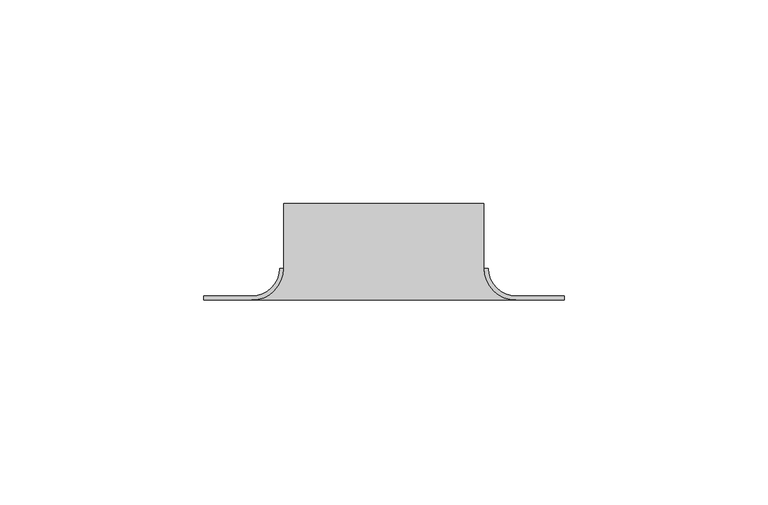
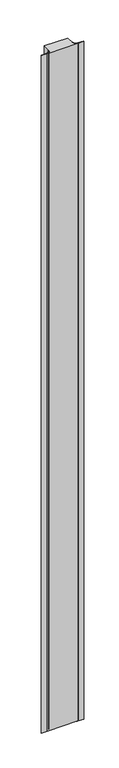
"""IFC4 building model written with IfcOpenShell, lengths in millimetres: proxy geometry."""

from ifc_helpers import new_model, si_unit, point, frame, frame_2d, origin, origin_with_axes, place, context, project, spatial, polyline, circle_curve, trimmed, segment, composite_curve, outline, extrude, source, transform, mapped, element, save
from ifc_brep_helpers import plane_surface, revolved_surface, advanced_brep


def generic_models_583636e3(model_context):
    return source(origin(), model_context, "Body", "SolidModel", [
        advanced_brep(
        [(3956.8732178, -12211.7946898, 1500.0), (3907.8089871, -12211.7946898, 1500.0), (3907.8089871, -12227.6290675, 1500.0), (3899.9848136, -12235.453241, 1500.0), (3964.6973913, -12235.4544522, 1500.0), (3956.8732178, -12227.6290675, 1500.0), (3956.8732178, -12211.7946898, 0.0), (3956.8732178, -12227.6290675, 0.0), (3964.6973913, -12235.453241, 0.0), (3899.9848136, -12235.4544522, 0.0), (3907.8089871, -12227.6290675, 0.0), (3907.8089871, -12211.7946898, 0.0)],
        [
            (0, 1),
            (1, 2),
            (2, 3, circle_curve(frame((3899.9848136, -12227.6290675, 1500.0), z_axis=(0.0, 0.0, -1.0), x_axis=(0.0, -1.0, 0.0)), 7.8241735)),
            (3, 4),
            (4, 5, circle_curve(frame((3964.6973913, -12227.6290675, 1500.0), z_axis=(0.0, 0.0, -1.0), x_axis=(0.0, -1.0, 0.0)), 7.8241735)),
            (5, 0),
            (6, 7),
            (7, 8, circle_curve(frame((3964.6973913, -12227.6290675, 0.0), z_axis=(0.0, 0.0, 1.0), x_axis=(0.0, -1.0, 0.0)), 7.8241735)),
            (8, 9),
            (9, 10, circle_curve(frame((3899.9848136, -12227.6290675, 0.0), z_axis=(0.0, 0.0, 1.0), x_axis=(0.0, -1.0, 0.0)), 7.8241735)),
            (10, 11),
            (11, 6),
            (0, 6),
            (11, 1),
            (3, 9),
            (8, 4),
            (5, 7),
            (10, 2),
        ],
        [
            plane_surface(frame((2304.7369605, -12185.4544522, 1500.0), z_axis=(0.0, 0.0, 1.0), x_axis=(1.0, 0.0, 0.0))),
            plane_surface(frame((2304.7369605, -12185.4544522, 0.0), z_axis=(0.0, 0.0, -1.0), x_axis=(1.0, 0.0, 0.0))),
            plane_surface(frame((3956.8732178, -12211.7946898, 1500.0), z_axis=(0.0, 1.0, 0.0), x_axis=(0.0, 0.0, -1.0))),
            plane_surface(frame((3899.9848136, -12235.4544522, 1500.0), z_axis=(0.0, -1.0, 0.0), x_axis=(0.0, 0.0, -1.0))),
            plane_surface(frame((3956.8732178, -12227.6290675, 1500.0), z_axis=(1.0, 0.0, 0.0), x_axis=(0.0, 0.0, -1.0))),
            plane_surface(frame((3907.8089871, -12211.7946898, 1500.0), z_axis=(-1.0, 0.0, 0.0), x_axis=(0.0, 0.0, -1.0))),
            revolved_surface(polyline([(3899.9848136, -12235.453241, 0.0), (3899.9848136, -12235.453241, 1500.0)]), (3899.9848136, -12227.6290675, 1500.0), (0.0, 0.0, -1.0)),
            revolved_surface(polyline([(3964.6973913, -12235.453241, 0.0), (3964.6973913, -12235.453241, 1500.0)]), (3964.6973913, -12227.6290675, 1500.0), (0.0, 0.0, -1.0)),
        ],
        [
            (0, [[1, 2, 3, 4, 5, 6]]),
            (1, [[7, 8, 9, 10, 11, 12]]),
            (2, [[-1, 13, -12, 14]]),
            (3, [[-4, 15, -9, 16]]),
            (4, [[-6, 17, -7, -13]]),
            (5, [[-2, -14, -11, 18]]),
            (6, [[-3, -18, -10, -15]]),
            (7, [[-5, -16, -8, -17]]),
        ],
    ),
        extrude(outline(composite_curve([segment(trimmed(circle_curve(frame_2d((3964.8072989, -12227.6290675)), 7.8253847), [point((3964.8072989, -12235.4544522))], [point((3956.9819142, -12227.6290675))], False, "CARTESIAN"), True, "CONTINUOUS"), segment(polyline([(3956.9819142, -12227.6290675), (3957.9819142, -12227.6290675)]), True, "CONTINUOUS"), segment(trimmed(circle_curve(frame_2d((3964.8072989, -12227.6290675)), 6.8253847), [point((3957.9819142, -12227.6290675))], [point((3964.8072989, -12234.4544522))], True, "CARTESIAN"), True, "CONTINUOUS"), segment(polyline([(3964.8072989, -12234.4544522), (3976.5356145, -12234.4544522), (3976.5356145, -12235.4544522), (3964.8072989, -12235.4544522)]), True, "CONTINUOUS")], self_intersect=False)), origin_with_axes(), (0.0, 0.0, 1.0), 1500.0),
        extrude(outline(composite_curve([segment(polyline([(3899.9836024, -12235.4544522), (3888.2552869, -12235.4544522), (3888.2552869, -12234.4544522), (3899.9836024, -12234.4544522)]), True, "CONTINUOUS"), segment(trimmed(circle_curve(frame_2d((3899.9836024, -12227.6290675)), 6.8253847), [point((3899.9836024, -12234.4544522))], [point((3906.8089871, -12227.6290675))], True, "CARTESIAN"), True, "CONTINUOUS"), segment(polyline([(3906.8089871, -12227.6290675), (3907.8089871, -12227.6290675)]), True, "CONTINUOUS"), segment(trimmed(circle_curve(frame_2d((3899.9836024, -12227.6290675)), 7.8253847), [point((3907.8089871, -12227.6290675))], [point((3899.9836024, -12235.4544522))], False, "CARTESIAN"), True, "CONTINUOUS")], self_intersect=False)), origin_with_axes(), (0.0, 0.0, 1.0), 1500.0),
    ])


if __name__ == "__main__":
    model = new_model("IFC4")
    model_context = context("Model", 3, world=origin())
    ifc_project = project(units=[si_unit("LENGTHUNIT", "METRE", prefix="MILLI")], contexts=[model_context])
    site = spatial("IfcSite", under=ifc_project)
    building = spatial("IfcBuilding", under=site)
    placement = place(None, origin())
    generic_models_shape = generic_models_583636e3(model_context)
    element("IfcBuildingElementProxy", 1, Name="Generic Models", at=placement, inside=building, context=model_context, shape_type="MappedRepresentation", body=[
        mapped(generic_models_shape, transform((0.0, 0.0, 0.0), x_axis=(1.0, 0.0, 0.0), y_axis=(0.0, 1.0, 0.0), z_axis=(0.0, 0.0, 1.0))),
    ])
    save(model, "model.ifc")
